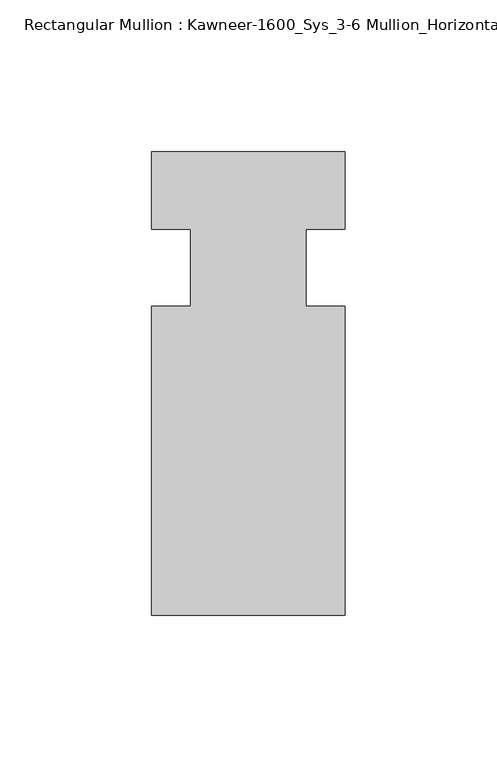
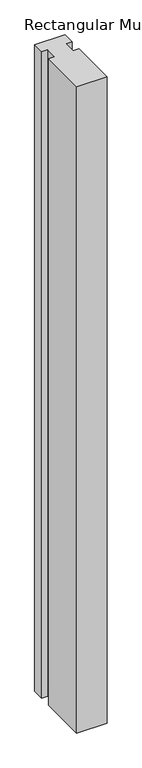
"""IFC4 building model written with IfcOpenShell, lengths in millimetres: member geometry, Rectangular Mullion : Kawneer-1600_Sys_3-6 Mullion_Horizontal."""

from ifc_helpers import new_model, si_unit, frame, origin, place, context, project, spatial, polyline, outline, extrude, source, transform, mapped, element, save


def rectangular_mullion_kawneer_1600_sys_3_6_mullion_horizontal_4b6db8d6(model_context):
    return source(origin(), model_context, "Body", "SweptSolid", [
        extrude(outline(polyline([(36.0844027, -114.3), (-27.4155973, -114.3), (-27.4155973, -12.7), (-14.7155973, -12.7), (-14.7155973, 12.7), (-27.4155973, 12.7), (-27.4155973, 38.1), (36.0844027, 38.1), (36.0844027, 12.7), (23.3826322, 12.7), (23.3826322, -12.7), (36.0844027, -12.7), (36.0844027, -114.3)])), frame((0.0, 0.0, -1433.0844027), z_axis=(0.0, 0.0, 1.0), x_axis=(1.0, 0.0, 0.0)), (0.0, 0.0, 1.0), 1433.0844027),
    ])


if __name__ == "__main__":
    model = new_model("IFC4")
    model_context = context("Model", 3, world=origin())
    ifc_project = project(units=[si_unit("LENGTHUNIT", "METRE", prefix="MILLI")], contexts=[model_context])
    site = spatial("IfcSite", under=ifc_project)
    building = spatial("IfcBuilding", under=site)
    placement = place(None, origin())
    rectangular_mullion_kawneer_1600_sys_3_6_mullion_horizontal_shape = rectangular_mullion_kawneer_1600_sys_3_6_mullion_horizontal_4b6db8d6(model_context)
    element("IfcMember", 1, ObjectType="Rectangular Mullion : Kawneer-1600_Sys_3-6 Mullion_Horizontal", at=placement, inside=building, context=model_context, shape_type="MappedRepresentation", body=[
        mapped(rectangular_mullion_kawneer_1600_sys_3_6_mullion_horizontal_shape, transform((0.0, 0.0, 0.0), x_axis=(1.0, 0.0, 0.0), y_axis=(0.0, 1.0, 0.0), z_axis=(0.0, 0.0, 1.0))),
    ])
    save(model, "model.ifc")
